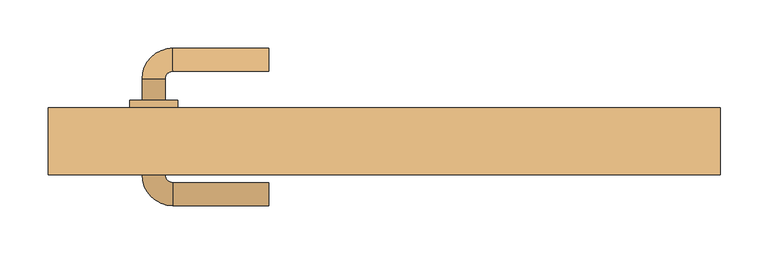
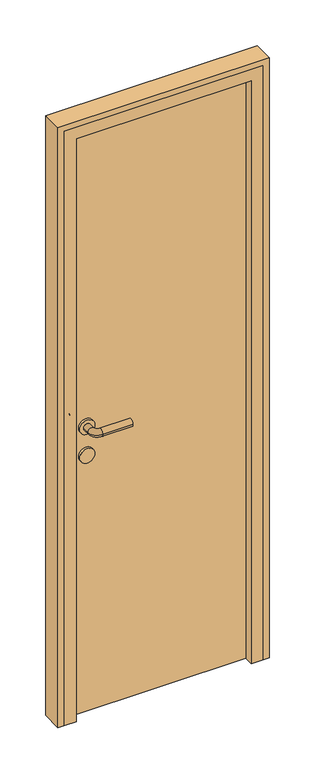
"""IFC4 building model written with IfcOpenShell, lengths in millimetres: door geometry."""

from ifc_helpers import new_model, si_unit, point, frame, frame_2d, origin, origin_with_axes, place, context, project, spatial, polyline, circle_curve, ellipse_curve, trimmed, segment, composite_curve, outline, extrude, faceted_brep, source, transform, mapped, element, save
from ifc_brep_helpers import plane_surface, cylinder_surface, revolved_surface, advanced_brep


def door_bcbac466(model_context):
    return source(origin(), model_context, "Body", "SolidModel", [
        advanced_brep(
        [(-120.0, 182.0, 1000.0), (-120.0, 158.0, 1000.0), (-220.0, 182.0, 1000.0), (-220.0, 158.0, 1000.0), (-252.0, 150.0, 1000.0), (-228.0, 150.0, 1000.0), (-252.0, 128.0, 1000.0), (-228.0, 128.0, 1000.0), (-252.0, 50.0, 1000.0), (-228.0, 50.0, 1000.0), (-228.0, 72.0, 1000.0), (-252.0, 72.0, 1000.0), (-220.0, 18.0, 1000.0), (-220.0, 42.0, 1000.0), (-120.0, 18.0, 1000.0), (-120.0, 42.0, 1000.0), (-265.0, 128.0, 1000.0), (-215.0, 128.0, 1000.0), (-265.0, 72.0, 1000.0), (-215.0, 72.0, 1000.0)],
        [
            (0, 1, circle_curve(frame((-120.0, 170.0, 1000.0), z_axis=(1.0, 0.0, 0.0), x_axis=(0.0, -1.0, 0.0)), 12.0)),
            (1, 0, circle_curve(frame((-120.0, 170.0, 1000.0), z_axis=(1.0, 0.0, 0.0), x_axis=(0.0, -1.0, 0.0)), 12.0)),
            (0, 2),
            (2, 3, circle_curve(frame((-220.0, 170.0, 1000.0), z_axis=(1.0, 0.0, 0.0), x_axis=(0.0, -1.0, 0.0)), 12.0)),
            (3, 1),
            (3, 2, circle_curve(frame((-220.0, 170.0, 1000.0), z_axis=(1.0, 0.0, 0.0), x_axis=(0.0, -1.0, 0.0)), 12.0)),
            (2, 4, circle_curve(frame((-220.0, 150.0, 1000.0), z_axis=(0.0, 0.0, 1.0), x_axis=(0.0, 1.0, 0.0)), 32.0)),
            (4, 5, circle_curve(frame((-240.0, 150.0, 1000.0), z_axis=(0.0, 1.0, 0.0), x_axis=(1.0, 0.0, 0.0)), 12.0)),
            (5, 3, circle_curve(frame((-220.0, 150.0, 1000.0), z_axis=(0.0, 0.0, -1.0), x_axis=(0.0, 1.0, 0.0)), 8.0)),
            (5, 4, circle_curve(frame((-240.0, 150.0, 1000.0), z_axis=(0.0, 1.0, 0.0), x_axis=(1.0, 0.0, 0.0)), 12.0)),
            (4, 6),
            (6, 7, circle_curve(frame((-240.0, 128.0, 1000.0), z_axis=(0.0, 1.0, 0.0), x_axis=(1.0, 0.0, 0.0)), 12.0)),
            (7, 5),
            (8, 9, circle_curve(frame((-240.0, 50.0, 1000.0), z_axis=(0.0, 1.0, 0.0), x_axis=(1.0, 0.0, 0.0)), 12.0)),
            (9, 10),
            (10, 11, circle_curve(frame((-240.0, 72.0, 1000.0), z_axis=(0.0, -1.0, 0.0), x_axis=(1.0, 0.0, 0.0)), 12.0)),
            (11, 8),
            (7, 6, circle_curve(frame((-240.0, 128.0, 1000.0), z_axis=(0.0, 1.0, 0.0), x_axis=(1.0, 0.0, 0.0)), 12.0)),
            (9, 8, circle_curve(frame((-240.0, 50.0, 1000.0), z_axis=(0.0, 1.0, 0.0), x_axis=(1.0, 0.0, 0.0)), 12.0)),
            (11, 10, circle_curve(frame((-240.0, 72.0, 1000.0), z_axis=(0.0, -1.0, 0.0), x_axis=(1.0, 0.0, 0.0)), 12.0)),
            (8, 12, circle_curve(frame((-220.0, 50.0, 1000.0), z_axis=(0.0, 0.0, 1.0), x_axis=(-1.0, 0.0, 0.0)), 32.0)),
            (12, 13, circle_curve(frame((-220.0, 30.0, 1000.0), z_axis=(-1.0, 0.0, 0.0), x_axis=(0.0, 1.0, 0.0)), 12.0)),
            (13, 9, circle_curve(frame((-220.0, 50.0, 1000.0), z_axis=(0.0, 0.0, -1.0), x_axis=(-1.0, 0.0, 0.0)), 8.0)),
            (13, 12, circle_curve(frame((-220.0, 30.0, 1000.0), z_axis=(-1.0, 0.0, 0.0), x_axis=(0.0, 1.0, 0.0)), 12.0)),
            (14, 15, circle_curve(frame((-120.0, 30.0, 1000.0), z_axis=(1.0, 0.0, 0.0), x_axis=(0.0, 1.0, 0.0)), 12.0)),
            (15, 14, circle_curve(frame((-120.0, 30.0, 1000.0), z_axis=(1.0, 0.0, 0.0), x_axis=(0.0, 1.0, 0.0)), 12.0)),
            (12, 14),
            (15, 13),
            (16, 17, circle_curve(frame((-240.0, 128.0, 1000.0), z_axis=(0.0, 1.0, 0.0), x_axis=(1.0, 0.0, 0.0)), 25.0)),
            (17, 16, circle_curve(frame((-240.0, 128.0, 1000.0), z_axis=(0.0, 1.0, 0.0), x_axis=(1.0, 0.0, 0.0)), 25.0)),
            (18, 19, circle_curve(frame((-240.0, 72.0, 1000.0), z_axis=(0.0, -1.0, 0.0), x_axis=(1.0, 0.0, 0.0)), 25.0)),
            (19, 18, circle_curve(frame((-240.0, 72.0, 1000.0), z_axis=(0.0, -1.0, 0.0), x_axis=(1.0, 0.0, 0.0)), 25.0)),
            (17, 19),
            (18, 16),
        ],
        [
            plane_surface(frame((-120.0, 170.0, 1000.0), z_axis=(1.0, 0.0, 0.0), x_axis=(0.0, 0.0, 1.0))),
            cylinder_surface(frame((-120.0, 170.0, 1000.0), z_axis=(1.0, 0.0, 0.0), x_axis=(0.0, -1.0, 0.0)), 12.0),
            revolved_surface(trimmed(ellipse_curve(frame((-220.0, 170.0, 1000.0), z_axis=(1.0, 0.0, 0.0), x_axis=(0.0, -1.0, 0.0)), 12.0, 12.0), [point((-220.0, 182.0, 1000.0))], [point((-220.0, 158.0, 1000.0))], True, "CARTESIAN"), (-220.0, 150.0, 1000.0), (0.0, 0.0, 1.0)),
            revolved_surface(trimmed(ellipse_curve(frame((-220.0, 170.0, 1000.0), z_axis=(1.0, 0.0, 0.0), x_axis=(0.0, -1.0, 0.0)), 12.0, 12.0), [point((-220.0, 158.0, 1000.0))], [point((-220.0, 182.0, 1000.0))], True, "CARTESIAN"), (-220.0, 150.0, 1000.0), (0.0, 0.0, 1.0)),
            cylinder_surface(frame((-240.0, 150.0, 1000.0), z_axis=(0.0, 1.0, 0.0), x_axis=(1.0, 0.0, 0.0)), 12.0),
            revolved_surface(trimmed(ellipse_curve(frame((-240.0, 50.0, 1000.0), z_axis=(0.0, 1.0, 0.0), x_axis=(1.0, 0.0, 0.0)), 12.0, 12.0), [point((-252.0, 50.0, 1000.0))], [point((-228.0, 50.0, 1000.0))], True, "CARTESIAN"), (-220.0, 50.0, 1000.0), (0.0, 0.0, 1.0)),
            revolved_surface(trimmed(ellipse_curve(frame((-240.0, 50.0, 1000.0), z_axis=(0.0, 1.0, 0.0), x_axis=(1.0, 0.0, 0.0)), 12.0, 12.0), [point((-228.0, 50.0, 1000.0))], [point((-252.0, 50.0, 1000.0))], True, "CARTESIAN"), (-220.0, 50.0, 1000.0), (0.0, 0.0, 1.0)),
            plane_surface(frame((-120.0, 30.0, 1000.0), z_axis=(1.0, 0.0, 0.0), x_axis=(0.0, 0.0, 1.0))),
            cylinder_surface(frame((-220.0, 30.0, 1000.0), z_axis=(-1.0, 0.0, 0.0), x_axis=(0.0, 1.0, 0.0)), 12.0),
            plane_surface(frame((-215.0, 128.0, 1000.0), z_axis=(0.0, 1.0, 0.0), x_axis=(0.0, 0.0, -1.0))),
            plane_surface(frame((-215.0, 72.0, 1000.0), z_axis=(0.0, -1.0, 0.0), x_axis=(0.0, 0.0, 1.0))),
            cylinder_surface(frame((-240.0, 128.0, 1000.0), z_axis=(0.0, -1.0, 0.0), x_axis=(1.0, 0.0, 0.0)), 25.0),
        ],
        [
            (0, [[1, 2]]),
            (1, [[-1, 3, 4, 5]]),
            (1, [[-2, -5, 6, -3]]),
            (2, [[-4, 7, 8, 9]]),
            (3, [[-6, -9, 10, -7]]),
            (4, [[-8, 11, 12, 13]]),
            (4, [[14, 15, 16, 17]]),
            (4, [[-10, -13, 18, -11]]),
            (4, [[19, -17, 20, -15]]),
            (5, [[-14, 21, 22, 23]]),
            (6, [[-19, -23, 24, -21]]),
            (7, [[25, 26]]),
            (8, [[-22, 27, -26, 28]]),
            (8, [[-24, -28, -25, -27]]),
            (9, [[29, 30], [-12, -18]]),
            (10, [[31, 32], [-16, -20]]),
            (11, [[-30, 33, -31, 34]]),
            (11, [[-29, -34, -32, -33]]),
        ],
    ),
        extrude(outline(composite_curve([segment(trimmed(circle_curve(frame_2d((900.0, -240.0)), 25.0), [point((900.0, -265.0))], [point((900.0, -215.0))], False, "CARTESIAN"), True, "CONTINUOUS"), segment(trimmed(circle_curve(frame_2d((900.0, -240.0)), 25.0), [point((900.0, -215.0))], [point((900.0, -265.0))], False, "CARTESIAN"), True, "CONTINUOUS")], self_intersect=False)), frame((0.0, 72.0, 0.0), z_axis=(0.0, 1.0, 0.0), x_axis=(0.0, 0.0, 1.0)), (0.0, 0.0, 1.0), 56.0),
        extrude(outline(polyline([(300.0, 80.0), (-300.0, 80.0), (-300.0, 120.0), (300.0, 120.0), (300.0, 80.0)])), origin_with_axes(), (0.0, 0.0, 1.0), 2050.0),
        extrude(outline(polyline([(0.0, 350.0), (2100.0, 350.0), (2100.0, -350.0), (0.0, -350.0), (0.0, -330.0), (2080.0, -330.0), (2080.0, 330.0), (0.0, 330.0), (0.0, 350.0)])), frame((0.0, 50.0, 0.0), z_axis=(0.0, 1.0, 0.0), x_axis=(0.0, 0.0, 1.0)), (0.0, 0.0, 1.0), 70.0),
        faceted_brep([(-330.0, 50.0, 0.0), (-330.0, 120.0, 0.0), (-300.0, 120.0, 0.0), (-300.0, 80.0, 0.0), (-290.0, 80.0, 0.0), (-290.0, 50.0, 0.0), (-330.0, 50.0, 2080.0), (-330.0, 120.0, 2080.0), (330.0, 120.0, 2080.0), (330.0, 120.0, 0.0), (300.0, 120.0, 0.0), (300.0, 120.0, 2050.0), (-300.0, 120.0, 2050.0), (-300.0, 80.0, 2050.0), (300.0, 80.0, 2050.0), (300.0, 80.0, 0.0), (290.0, 80.0, 0.0), (290.0, 80.0, 2040.0), (-290.0, 80.0, 2040.0), (-290.0, 50.0, 2040.0), (290.0, 50.0, 2040.0), (290.0, 50.0, 0.0), (330.0, 50.0, 0.0), (330.0, 50.0, 2080.0)], [[[0, 1, 2, 3, 4, 5]], [[1, 0, 6, 7]], [[2, 1, 7, 8, 9, 10, 11, 12]], [[3, 2, 12, 13]], [[4, 3, 13, 14, 15, 16, 17, 18]], [[5, 4, 18, 19]], [[0, 5, 19, 20, 21, 22, 23, 6]], [[7, 6, 23, 8]], [[13, 12, 11, 14]], [[19, 18, 17, 20]], [[22, 21, 16, 15, 10, 9]], [[8, 23, 22, 9]], [[14, 11, 10, 15]], [[20, 17, 16, 21]]]),
    ])


if __name__ == "__main__":
    model = new_model("IFC4")
    model_context = context("Model", 3, world=origin())
    ifc_project = project(units=[si_unit("LENGTHUNIT", "METRE", prefix="MILLI")], contexts=[model_context])
    site = spatial("IfcSite", under=ifc_project)
    building = spatial("IfcBuilding", under=site)
    placement = place(None, origin())
    door_shape = door_bcbac466(model_context)
    element("IfcDoor", 1, at=placement, inside=building, context=model_context, shape_type="MappedRepresentation", body=[
        mapped(door_shape, transform((0.0, 0.0, 0.0), x_axis=(1.0, 0.0, 0.0), y_axis=(0.0, 1.0, 0.0), z_axis=(0.0, 0.0, 1.0))),
    ])
    save(model, "model.ifc")
